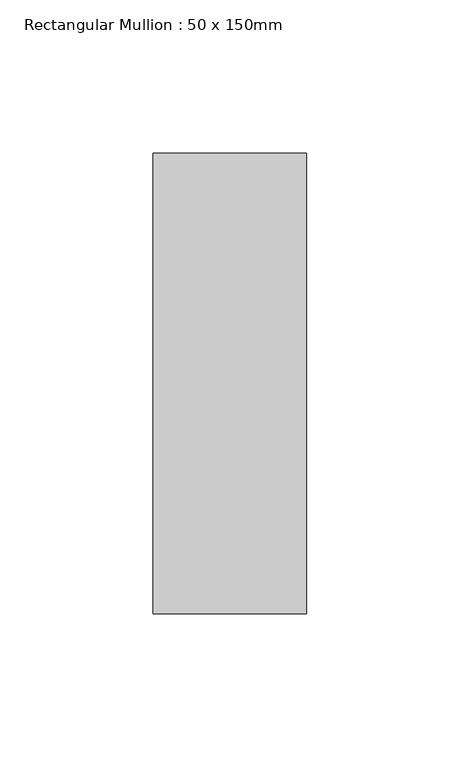
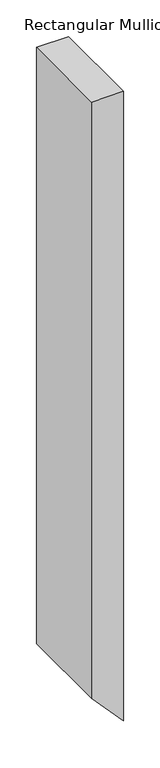
"""IFC4 building model written with IfcOpenShell, lengths in millimetres: member geometry, Rectangular Mullion : 50 x 150mm."""

from ifc_helpers import new_model, si_unit, frame, origin, place, context, project, spatial, polyline, outline, extrude, source, transform, mapped, element, save


def rectangular_mullion_50_x_150mm_d7397f2f(model_context):
    return source(origin(), model_context, "Body", "SweptSolid", [
        extrude(outline(polyline([(0.0, 0.0), (0.0, -50.0), (-991.0802392, -50.0), (-1045.6456642, 0.0), (0.0, 0.0)])), frame((0.0, -75.0, 0.0), z_axis=(0.0, 1.0, 0.0), x_axis=(0.0, 0.0, 1.0)), (0.0, 0.0, 1.0), 150.0),
    ])


if __name__ == "__main__":
    model = new_model("IFC4")
    model_context = context("Model", 3, world=origin())
    ifc_project = project(units=[si_unit("LENGTHUNIT", "METRE", prefix="MILLI")], contexts=[model_context])
    site = spatial("IfcSite", under=ifc_project)
    building = spatial("IfcBuilding", under=site)
    placement = place(None, origin())
    rectangular_mullion_50_x_150mm_shape = rectangular_mullion_50_x_150mm_d7397f2f(model_context)
    element("IfcMember", 1, ObjectType="Rectangular Mullion : 50 x 150mm", at=placement, inside=building, context=model_context, shape_type="MappedRepresentation", body=[
        mapped(rectangular_mullion_50_x_150mm_shape, transform((0.0, 0.0, 0.0), x_axis=(1.0, 0.0, 0.0), y_axis=(0.0, 1.0, 0.0), z_axis=(0.0, 0.0, 1.0))),
    ])
    save(model, "model.ifc")
